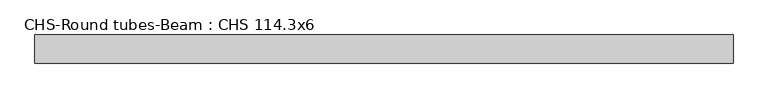
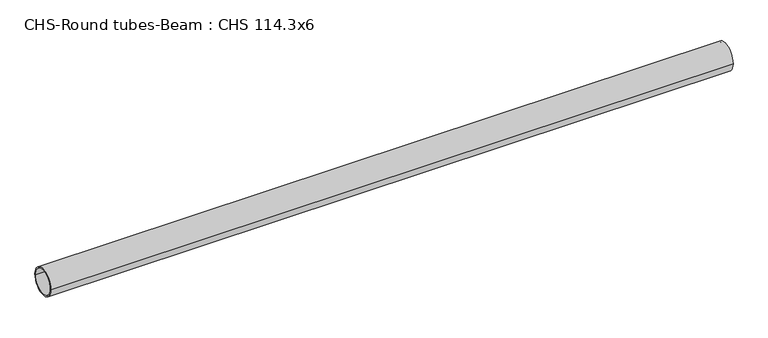
"""IFC4 building model written with IfcOpenShell, lengths in millimetres: beam geometry, CHS-Round tubes-Beam : CHS 114.3x6."""

from ifc_helpers import new_model, si_unit, point, frame, origin, origin_2d, place, context, project, spatial, circle_curve, trimmed, segment, composite_curve, outline, extrude, source, transform, mapped, element, save


def chs_round_tubes_beam_chs_114_3x6_4e7caa53(model_context):
    return source(origin(), model_context, "Body", "SweptSolid", [
        extrude(outline(composite_curve([segment(trimmed(circle_curve(origin_2d(), 57.15), [point((57.15, 0.0))], [point((-57.15, 0.0))], False, "CARTESIAN"), True, "CONTINUOUS"), segment(trimmed(circle_curve(origin_2d(), 57.15), [point((-57.15, 0.0))], [point((57.15, 0.0))], False, "CARTESIAN"), True, "CONTINUOUS")], self_intersect=False), holes=[composite_curve([segment(trimmed(circle_curve(origin_2d(), 51.15), [point((51.15, 0.0))], [point((-51.15, 0.0))], True, "CARTESIAN"), True, "CONTINUOUS"), segment(trimmed(circle_curve(origin_2d(), 51.15), [point((-51.15, 0.0))], [point((51.15, 0.0))], True, "CARTESIAN"), True, "CONTINUOUS")], self_intersect=False)]), frame((-1426.4257757, 0.0, 0.0), z_axis=(1.0, 0.0, 0.0), x_axis=(0.0, 1.0, 0.0)), (0.0, 0.0, 1.0), 2837.9391123),
    ])


if __name__ == "__main__":
    model = new_model("IFC4")
    model_context = context("Model", 3, world=origin())
    ifc_project = project(units=[si_unit("LENGTHUNIT", "METRE", prefix="MILLI")], contexts=[model_context])
    site = spatial("IfcSite", under=ifc_project)
    building = spatial("IfcBuilding", under=site)
    placement = place(None, origin())
    chs_round_tubes_beam_chs_114_3x6_shape = chs_round_tubes_beam_chs_114_3x6_4e7caa53(model_context)
    element("IfcBeam", 1, ObjectType="CHS-Round tubes-Beam : CHS 114.3x6", at=placement, inside=building, context=model_context, shape_type="MappedRepresentation", body=[
        mapped(chs_round_tubes_beam_chs_114_3x6_shape, transform((0.0, 0.0, 0.0), x_axis=(1.0, 0.0, 0.0), y_axis=(0.0, 1.0, 0.0), z_axis=(0.0, 0.0, 1.0))),
    ])
    save(model, "model.ifc")
